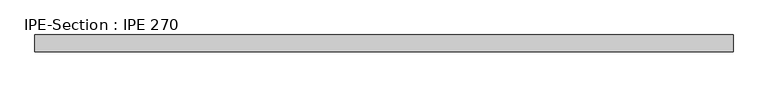
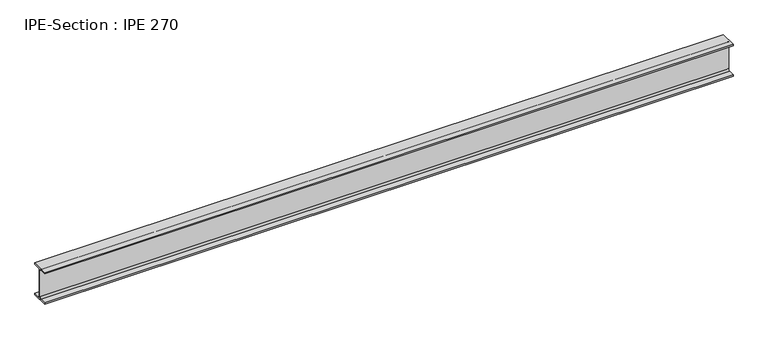
"""IFC4 building model written with IfcOpenShell, lengths in millimetres: beam geometry, IPE-Section : IPE 270."""

import ifcopenshell
import ifcopenshell.guid

model = None  # the IFC model being written
_history = None  # IfcOwnerHistory: only IFC2X3 demands one
_inside = {}  # id of a spatial element -> (the spatial element, [elements in it])
_under = {}  # id of a project, library or spatial element -> (it, [spatial elements below it])
_declared = {}  # id of a project -> (the project, [libraries it declares])
_typed = {}  # id of a type object -> (the type object, [elements of that type])
_made_of = {}  # id of a material, layer set ... -> (it, [elements and type objects made of it])


def new_model(schema):
    """Start an empty IFC model of exactly this schema.

    Asked for "IFC4X3", IfcOpenShell would pick the latest addendum, in which some entities
    have other attributes; the version numbers below select the first issue.
    IFC2X3 requires an IfcOwnerHistory on every rooted entity: one is made here for all.
    """
    global model, _history
    if schema == "IFC4X3":
        model = ifcopenshell.file(schema_version=(4, 3, 0, 0))
    else:
        model = ifcopenshell.file(schema=schema)
    _inside.clear()
    _under.clear()
    _declared.clear()
    _typed.clear()
    _made_of.clear()
    _history = None
    if model.schema == "IFC2X3":
        org = make("IfcOrganization", Name="unknown")
        user = make(
            "IfcPersonAndOrganization",
            ThePerson=make("IfcPerson", FamilyName="unknown"),
            TheOrganization=org,
        )
        app = make(
            "IfcApplication",
            ApplicationDeveloper=org,
            Version="unknown",
            ApplicationFullName="unknown",
            ApplicationIdentifier="unknown",
        )
        _history = make(
            "IfcOwnerHistory",
            OwningUser=user,
            OwningApplication=app,
            ChangeAction="ADDED",
            CreationDate=0,
        )
    return model


def make(cls, **values):
    """One entity of the class cls with the attributes given. An attribute that is None is left unset."""
    return model.create_entity(
        cls, **{name: value for name, value in values.items() if value is not None}
    )


def rooted(cls, **values):
    """An entity with a GlobalId (a new one), such as an element, a storey or a relation."""
    return make(cls, GlobalId=ifcopenshell.guid.new(), OwnerHistory=_history, **values)


def si_unit(unit_type, name, prefix=None):
    """IfcSIUnit, for example si_unit("LENGTHUNIT", "METRE", prefix="MILLI")."""
    return make("IfcSIUnit", UnitType=unit_type, Prefix=prefix, Name=name)


def assignment(units):
    """IfcUnitAssignment: the units of a project."""
    return None if units is None else make("IfcUnitAssignment", Units=units)


def point(xyz):
    """IfcCartesianPoint."""
    return None if xyz is None else make("IfcCartesianPoint", Coordinates=xyz)


def direction(xyz):
    """IfcDirection."""
    return None if xyz is None else make("IfcDirection", DirectionRatios=xyz)


def frame(location, z_axis=None, x_axis=None):
    """IfcAxis2Placement3D, a coordinate frame: its origin and axes. An axis left out is left unset."""
    return make(
        "IfcAxis2Placement3D",
        Location=point(location),
        Axis=direction(z_axis),
        RefDirection=direction(x_axis),
    )


def frame_2d(location, x_axis=None):
    """IfcAxis2Placement2D, a coordinate frame in the plane: its origin and x axis."""
    return make(
        "IfcAxis2Placement2D", Location=point(location), RefDirection=direction(x_axis)
    )


def origin():
    """The frame at (0, 0, 0) with its axes left unset."""
    return frame((0.0, 0.0, 0.0))


def place(relative_to, where):
    """IfcLocalPlacement: puts the frame where relative to a parent placement (None: the world)."""
    return make(
        "IfcLocalPlacement", PlacementRelTo=relative_to, RelativePlacement=where
    )


def context(
    kind, dimensions, precision=None, world=None, true_north=None, identifier=None
):
    """IfcGeometricRepresentationContext, for example the 3D "Model" context."""
    return make(
        "IfcGeometricRepresentationContext",
        ContextIdentifier=identifier,
        ContextType=kind,
        CoordinateSpaceDimension=dimensions,
        Precision=precision,
        WorldCoordinateSystem=world,
        TrueNorth=true_north,
    )


def project(units=None, contexts=None):
    """IfcProject with its units and contexts."""
    return rooted(
        "IfcProject",
        Name="project",
        RepresentationContexts=contexts,
        UnitsInContext=assignment(units),
    )


def spatial(cls, under=None, at=None, **own):
    """A site, building, storey or space (cls), placed at a placement, below another one or the project."""
    s = rooted(cls, ObjectPlacement=at, **own)
    if under is not None:
        _under.setdefault(under.id(), (under, []))[1].append(s)
    return s


def polyline(points):
    """IfcPolyline through the points."""
    return make("IfcPolyline", Points=[point(p) for p in points])


def circle_curve(where, radius):
    """IfcCircle in the frame where."""
    return make("IfcCircle", Position=where, Radius=radius)


def trimmed(basis, trim1, trim2, sense, master):
    """IfcTrimmedCurve: the piece of a basis curve between two trims."""
    return make(
        "IfcTrimmedCurve",
        BasisCurve=basis,
        Trim1=trim1,
        Trim2=trim2,
        SenseAgreement=sense,
        MasterRepresentation=master,
    )


def segment(curve, same_sense, transition):
    """IfcCompositeCurveSegment."""
    return make(
        "IfcCompositeCurveSegment",
        Transition=transition,
        SameSense=same_sense,
        ParentCurve=curve,
    )


def composite_curve(segments, self_intersect=None):
    """IfcCompositeCurve: segments joined end to end."""
    return make("IfcCompositeCurve", Segments=segments, SelfIntersect=self_intersect)


def outline(outer, holes=None, kind="AREA"):
    """IfcArbitraryClosedProfileDef: a profile drawn as a closed curve; with holes, ...WithVoids."""
    if holes is None:
        return make("IfcArbitraryClosedProfileDef", ProfileType=kind, OuterCurve=outer)
    return make(
        "IfcArbitraryProfileDefWithVoids",
        ProfileType=kind,
        OuterCurve=outer,
        InnerCurves=holes,
    )


def extrude(swept, where, along, depth):
    """IfcExtrudedAreaSolid: the profile swept, set in the frame where, extruded along a direction by depth."""
    return make(
        "IfcExtrudedAreaSolid",
        SweptArea=swept,
        Position=where,
        ExtrudedDirection=direction(along),
        Depth=depth,
    )


def shape(context_of_items, identifier, shape_type, items):
    """IfcShapeRepresentation: the items that make up one representation, for example the "Body"."""
    return make(
        "IfcShapeRepresentation",
        ContextOfItems=context_of_items,
        RepresentationIdentifier=identifier,
        RepresentationType=shape_type,
        Items=items,
    )


def source(mapping_origin, context_of_items, identifier, shape_type, items):
    """IfcRepresentationMap: a shape defined once, which mapped items show again and again."""
    return make(
        "IfcRepresentationMap",
        MappingOrigin=mapping_origin,
        MappedRepresentation=shape(context_of_items, identifier, shape_type, items),
    )


def transform(
    local_origin,
    x_axis=None,
    y_axis=None,
    z_axis=None,
    scale=None,
    scale2=None,
    scale3=None,
    uniform=True,
):
    """IfcCartesianTransformationOperator3D, or its non-uniform kind. x_axis, y_axis, z_axis: its Axis1, 2, 3."""
    if uniform:
        return make(
            "IfcCartesianTransformationOperator3D",
            Axis1=direction(x_axis),
            Axis2=direction(y_axis),
            LocalOrigin=point(local_origin),
            Scale=scale,
            Axis3=direction(z_axis),
        )
    return make(
        "IfcCartesianTransformationOperator3DnonUniform",
        Axis1=direction(x_axis),
        Axis2=direction(y_axis),
        LocalOrigin=point(local_origin),
        Scale=scale,
        Axis3=direction(z_axis),
        Scale2=scale2,
        Scale3=scale3,
    )


def mapped(mapping_source, mapping_target):
    """IfcMappedItem: shows the shape of a source again, moved by a transform."""
    return make(
        "IfcMappedItem", MappingSource=mapping_source, MappingTarget=mapping_target
    )


def made_of(thing, what):
    """Note that an element or type object is made of a material, layer set ...; save() writes the relation."""
    if what is not None:
        _made_of.setdefault(what.id(), (what, []))[1].append(thing)
    return thing


def element(
    cls,
    number,
    at=None,
    inside=None,
    cuts=None,
    type_object=None,
    material=None,
    context=None,
    identifier="Body",
    shape_type=None,
    held_by="IfcProductDefinitionShape",
    body=None,
    shapes=None,
    **own,
):
    """One element of the class cls, such as IfcWall. Its Tag is "e" and its number.

    at: its placement. inside: the storey or other place that contains it. cuts: it is an
    opening in that element (IfcRelVoidsElement). A single representation is given by context,
    identifier, shape_type and body (its items); several are given by shapes. held_by: the class
    of the entity that holds the representations. save() writes the other relations.
    """
    e = rooted(cls, Tag="e%d" % number, ObjectPlacement=at, **own)
    if body is not None:
        shapes = [shape(context, identifier, shape_type, body)]
    if shapes is not None:
        e.Representation = make(held_by, Representations=shapes)
    if inside is not None:
        _inside.setdefault(inside.id(), (inside, []))[1].append(e)
    if cuts is not None:
        rooted(
            "IfcRelVoidsElement", RelatingBuildingElement=cuts, RelatedOpeningElement=e
        )
    if type_object is not None:
        _typed.setdefault(type_object.id(), (type_object, []))[1].append(e)
    return made_of(e, material)


def aggregate(whole, parts):
    """IfcRelAggregates: a whole, such as a stair, and the parts it consists of."""
    return rooted("IfcRelAggregates", RelatingObject=whole, RelatedObjects=parts)


def save(model, path):
    """Write the relations noted so far, then the file.

    IfcRelAggregates (storeys below a building ...), IfcRelContainedInSpatialStructure (elements
    in a storey), IfcRelDefinesByType, IfcRelAssociatesMaterial and IfcRelDeclares: one each for
    every whole, place, type object, material and project.
    """
    for whole, parts in _under.values():
        aggregate(whole, parts)
    for where, things in _inside.values():
        rooted(
            "IfcRelContainedInSpatialStructure",
            RelatedElements=things,
            RelatingStructure=where,
        )
    for kind, things in _typed.values():
        rooted("IfcRelDefinesByType", RelatedObjects=things, RelatingType=kind)
    for what, things in _made_of.values():
        rooted("IfcRelAssociatesMaterial", RelatedObjects=things, RelatingMaterial=what)
    for by, libraries in _declared.values():
        rooted("IfcRelDeclares", RelatingContext=by, RelatedDefinitions=libraries)
    model.write(path)


def ipe_section_ipe_270_18af660c(model_context):
    return source(origin(), model_context, "Body", "SweptSolid", [
        extrude(outline(composite_curve([segment(polyline([(-67.5, -124.8), (-18.3, -124.8)]), True, "CONTINUOUS"), segment(trimmed(circle_curve(frame_2d((-18.3, -109.8)), 15.0), [point((-18.3, -124.8))], [point((-3.3, -109.8))], True, "CARTESIAN"), True, "CONTINUOUS"), segment(polyline([(-3.3, -109.8), (-3.3, 109.8)]), True, "CONTINUOUS"), segment(trimmed(circle_curve(frame_2d((-18.3, 109.8)), 15.0), [point((-3.3, 109.8))], [point((-18.3, 124.8))], True, "CARTESIAN"), True, "CONTINUOUS"), segment(polyline([(-18.3, 124.8), (-67.5, 124.8), (-67.5, 135.0), (67.5, 135.0), (67.5, 124.8), (18.3, 124.8)]), True, "CONTINUOUS"), segment(trimmed(circle_curve(frame_2d((18.3, 109.8)), 15.0), [point((18.3, 124.8))], [point((3.3, 109.8))], True, "CARTESIAN"), True, "CONTINUOUS"), segment(polyline([(3.3, 109.8), (3.3, -109.8)]), True, "CONTINUOUS"), segment(trimmed(circle_curve(frame_2d((18.3, -109.8)), 15.0), [point((3.3, -109.8))], [point((18.3, -124.8))], True, "CARTESIAN"), True, "CONTINUOUS"), segment(polyline([(18.3, -124.8), (67.5, -124.8), (67.5, -135.0), (-67.5, -135.0), (-67.5, -124.8)]), True, "CONTINUOUS")], self_intersect=False)), frame((-2778.736321, 0.0, 0.0), z_axis=(1.0, 0.0, 0.0), x_axis=(0.0, 1.0, 0.0)), (0.0, 0.0, 1.0), 5566.3925227),
    ])


if __name__ == "__main__":
    model = new_model("IFC4")
    model_context = context("Model", 3, world=origin())
    ifc_project = project(units=[si_unit("LENGTHUNIT", "METRE", prefix="MILLI")], contexts=[model_context])
    site = spatial("IfcSite", under=ifc_project)
    building = spatial("IfcBuilding", under=site)
    placement = place(None, origin())
    ipe_section_ipe_270_shape = ipe_section_ipe_270_18af660c(model_context)
    element("IfcBeam", 1, ObjectType="IPE-Section : IPE 270", at=placement, inside=building, context=model_context, shape_type="MappedRepresentation", body=[
        mapped(ipe_section_ipe_270_shape, transform((0.0, 0.0, 0.0), x_axis=(1.0, 0.0, 0.0), y_axis=(0.0, 1.0, 0.0), z_axis=(0.0, 0.0, 1.0))),
    ])
    save(model, "model.ifc")
